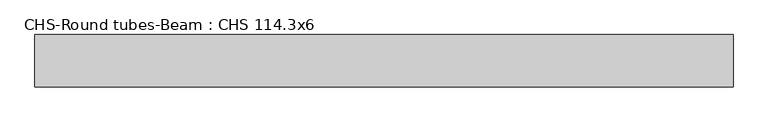
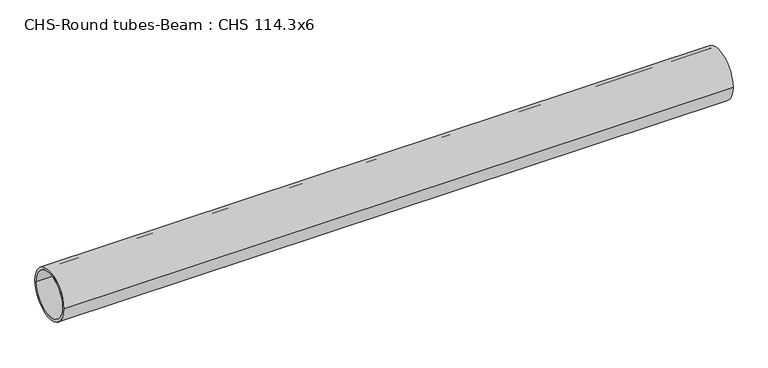
"""IFC4 building model written with IfcOpenShell, lengths in millimetres: beam geometry, CHS-Round tubes-Beam : CHS 114.3x6."""

from ifc_helpers import new_model, si_unit, point, frame, origin, origin_2d, place, context, project, spatial, circle_curve, trimmed, segment, composite_curve, outline, extrude, source, transform, mapped, element, save


def chs_round_tubes_beam_chs_114_3x6_a051e6f6(model_context):
    return source(origin(), model_context, "Body", "SweptSolid", [
        extrude(outline(composite_curve([segment(trimmed(circle_curve(origin_2d(), 57.15), [point((57.15, 0.0))], [point((-57.15, 0.0))], False, "CARTESIAN"), True, "CONTINUOUS"), segment(trimmed(circle_curve(origin_2d(), 57.15), [point((-57.15, 0.0))], [point((57.15, 0.0))], False, "CARTESIAN"), True, "CONTINUOUS")], self_intersect=False), holes=[composite_curve([segment(trimmed(circle_curve(origin_2d(), 51.15), [point((51.15, 0.0))], [point((-51.15, 0.0))], True, "CARTESIAN"), True, "CONTINUOUS"), segment(trimmed(circle_curve(origin_2d(), 51.15), [point((-51.15, 0.0))], [point((51.15, 0.0))], True, "CARTESIAN"), True, "CONTINUOUS")], self_intersect=False)]), frame((-756.3162219, 0.0, 0.0), z_axis=(1.0, 0.0, 0.0), x_axis=(0.0, 1.0, 0.0)), (0.0, 0.0, 1.0), 1527.8977071),
    ])


if __name__ == "__main__":
    model = new_model("IFC4")
    model_context = context("Model", 3, world=origin())
    ifc_project = project(units=[si_unit("LENGTHUNIT", "METRE", prefix="MILLI")], contexts=[model_context])
    site = spatial("IfcSite", under=ifc_project)
    building = spatial("IfcBuilding", under=site)
    placement = place(None, origin())
    chs_round_tubes_beam_chs_114_3x6_shape = chs_round_tubes_beam_chs_114_3x6_a051e6f6(model_context)
    element("IfcBeam", 1, ObjectType="CHS-Round tubes-Beam : CHS 114.3x6", at=placement, inside=building, context=model_context, shape_type="MappedRepresentation", body=[
        mapped(chs_round_tubes_beam_chs_114_3x6_shape, transform((0.0, 0.0, 0.0), x_axis=(1.0, 0.0, 0.0), y_axis=(0.0, 1.0, 0.0), z_axis=(0.0, 0.0, 1.0))),
    ])
    save(model, "model.ifc")
